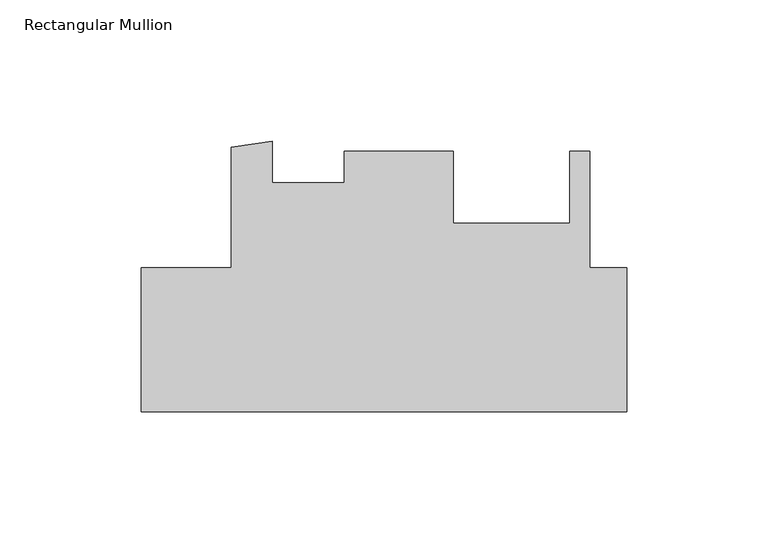
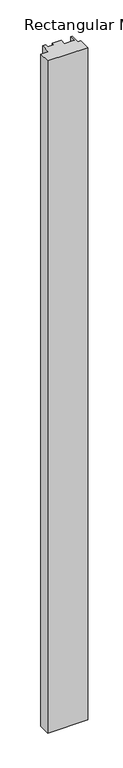
"""IFC4 building model written with IfcOpenShell, lengths in millimetres: member geometry, Rectangular Mullion."""

from ifc_helpers import new_model, si_unit, frame, origin, place, context, project, spatial, polyline, outline, extrude, source, transform, mapped, element, save


def rectangular_mullion_a6e0f6f3(model_context):
    return source(origin(), model_context, "Body", "SweptSolid", [
        extrude(outline(polyline([(-171.4499999, 0.8015423), (-139.7010309, 0.8015423), (-139.7010309, 43.4169246), (-125.1965715, 45.4726748), (-125.1965715, 30.9640424), (-99.7975059, 30.9640424), (-99.7975059, 42.0765424), (-61.2785309, 42.0765424), (-61.2785309, 16.5749424), (-20.0035309, 16.5749424), (-20.0035309, 42.0765424), (-12.9550309, 42.0765424), (-12.9550309, 0.8338083), (0.0, 0.8338083), (0.0, -49.9984577), (-171.4499999, -49.9984577), (-171.4499999, 0.8015423)])), frame((0.0, 0.0, -3048.0), z_axis=(0.0, 0.0, 1.0), x_axis=(1.0, 0.0, 0.0)), (0.0, 0.0, 1.0), 3048.0),
    ])


if __name__ == "__main__":
    model = new_model("IFC4")
    model_context = context("Model", 3, world=origin())
    ifc_project = project(units=[si_unit("LENGTHUNIT", "METRE", prefix="MILLI")], contexts=[model_context])
    site = spatial("IfcSite", under=ifc_project)
    building = spatial("IfcBuilding", under=site)
    placement = place(None, origin())
    rectangular_mullion_shape = rectangular_mullion_a6e0f6f3(model_context)
    element("IfcMember", 1, ObjectType="Rectangular Mullion", at=placement, inside=building, context=model_context, shape_type="MappedRepresentation", body=[
        mapped(rectangular_mullion_shape, transform((0.0, 0.0, 0.0), x_axis=(1.0, 0.0, 0.0), y_axis=(0.0, 1.0, 0.0), z_axis=(0.0, 0.0, 1.0))),
    ])
    save(model, "model.ifc")
